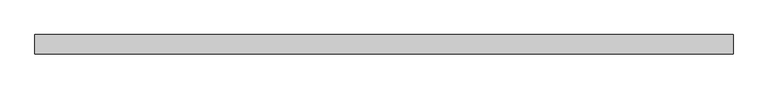
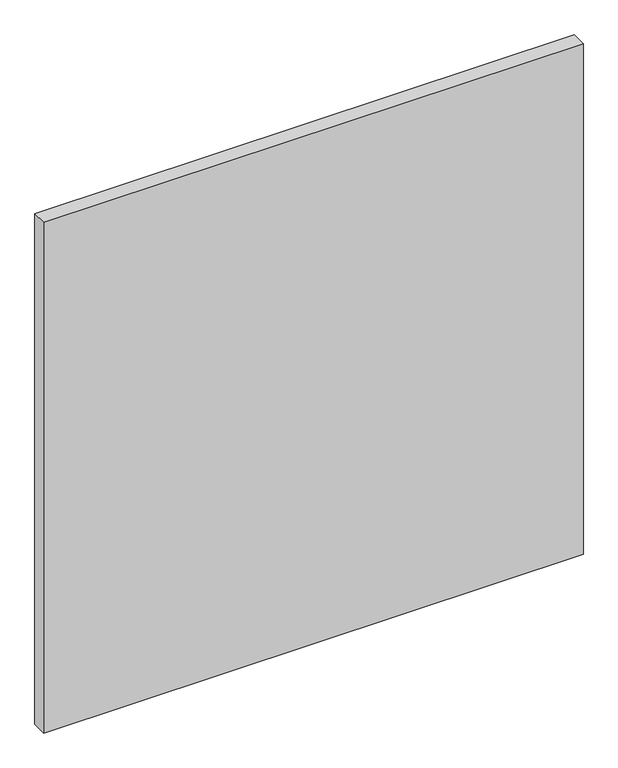
"""IFC4 building model written with IfcOpenShell, lengths in millimetres: plate geometry."""

from ifc_helpers import new_model, si_unit, origin, origin_with_axes, place, context, project, spatial, polyline, outline, extrude, source, transform, mapped, element, save


def plate_a2012e78(model_context):
    return source(origin(), model_context, "Body", "SweptSolid", [
        extrude(outline(polyline([(684.609375, 19.05), (684.609375, -19.05), (-684.609375, -19.05), (-684.609375, 19.05), (684.609375, 19.05)])), origin_with_axes(), (0.0, 0.0, 1.0), 1369.21875),
    ])


if __name__ == "__main__":
    model = new_model("IFC4")
    model_context = context("Model", 3, world=origin())
    ifc_project = project(units=[si_unit("LENGTHUNIT", "METRE", prefix="MILLI")], contexts=[model_context])
    site = spatial("IfcSite", under=ifc_project)
    building = spatial("IfcBuilding", under=site)
    placement = place(None, origin())
    plate_shape = plate_a2012e78(model_context)
    element("IfcPlate", 1, at=placement, inside=building, context=model_context, shape_type="MappedRepresentation", body=[
        mapped(plate_shape, transform((0.0, 0.0, 0.0), x_axis=(1.0, 0.0, 0.0), y_axis=(0.0, 1.0, 0.0), z_axis=(0.0, 0.0, 1.0))),
    ])
    save(model, "model.ifc")
